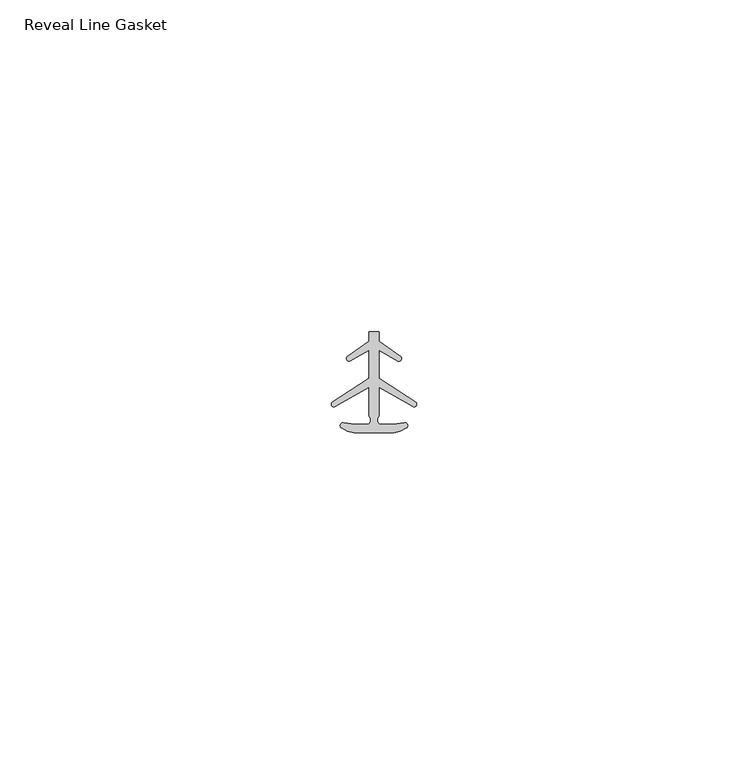
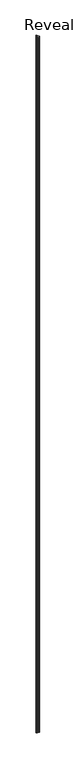
"""IFC4 building model written with IfcOpenShell, lengths in millimetres: furniture geometry, Reveal Line Gasket."""

from ifc_helpers import new_model, si_unit, point, frame_2d, origin, origin_with_axes, place, context, project, spatial, polyline, circle_curve, trimmed, segment, composite_curve, outline, extrude, source, transform, mapped, element, save


def reveal_line_gasket_088e70d2(model_context):
    return source(origin(), model_context, "Body", "SweptSolid", [
        extrude(outline(composite_curve([segment(polyline([(2.999107, -7.6326998), (-3.000893, -7.6326998), (-3.9563857, -7.4091917), (-4.8893614, -6.8813059)]), True, "CONTINUOUS"), segment(trimmed(circle_curve(frame_2d((-4.6873723, -6.5243141)), 0.4101739), [point((-4.8893614, -6.8813059))], [point((-4.5950277, -6.1246704))], False, "CARTESIAN"), True, "CONTINUOUS"), segment(polyline([(-4.5950277, -6.1246704), (-2.8988015, -6.3626997), (-0.8663457, -6.3626997)]), True, "CONTINUOUS"), segment(trimmed(circle_curve(frame_2d((-1.2828188, -5.6959605)), 0.786124), [point((-0.8663457, -6.3626997))], [point((-0.778768, -5.0926996))], True, "CARTESIAN"), True, "CONTINUOUS"), segment(polyline([(-0.778768, -5.0926996), (-0.778768, -0.7492996), (-5.9404224, -3.7293824)]), True, "CONTINUOUS"), segment(trimmed(circle_curve(frame_2d((-6.0058691, -3.3132479)), 0.4212495), [point((-5.9404224, -3.7293824))], [point((-6.3335288, -3.0485022))], False, "CARTESIAN"), True, "CONTINUOUS"), segment(polyline([(-6.3335288, -3.0485022), (-0.778768, 0.5742594), (-0.778768, 4.8262978), (-3.6544226, 3.1660374)]), True, "CONTINUOUS"), segment(trimmed(circle_curve(frame_2d((-3.7127785, 3.5978728)), 0.4357605), [point((-3.6544226, 3.1660374))], [point((-4.0575811, 3.864328))], False, "CARTESIAN"), True, "CONTINUOUS"), segment(polyline([(-4.0575811, 3.864328), (-0.778768, 6.1944059), (-0.778768, 7.6326998), (0.7769821, 7.6326998), (0.7769821, 6.1944059), (4.0557951, 3.864328)]), True, "CONTINUOUS"), segment(trimmed(circle_curve(frame_2d((3.7109925, 3.5978728)), 0.4357605), [point((4.0557951, 3.864328))], [point((3.6526367, 3.1660374))], False, "CARTESIAN"), True, "CONTINUOUS"), segment(polyline([(3.6526367, 3.1660374), (0.7769821, 4.8262978), (0.7769821, 0.5742594), (6.3317429, -3.0485022)]), True, "CONTINUOUS"), segment(trimmed(circle_curve(frame_2d((6.0040832, -3.3132479)), 0.4212495), [point((6.3317429, -3.0485022))], [point((5.9386365, -3.7293824))], False, "CARTESIAN"), True, "CONTINUOUS"), segment(polyline([(5.9386365, -3.7293824), (0.7769821, -0.7492996), (0.7769821, -5.0926996)]), True, "CONTINUOUS"), segment(trimmed(circle_curve(frame_2d((1.2810328, -5.6959605)), 0.786124), [point((0.7769821, -5.0926996))], [point((0.8645598, -6.3626997))], True, "CARTESIAN"), True, "CONTINUOUS"), segment(polyline([(0.8645598, -6.3626997), (2.8970156, -6.3626997), (4.5932418, -6.1246704)]), True, "CONTINUOUS"), segment(trimmed(circle_curve(frame_2d((4.6855864, -6.5243141)), 0.4101739), [point((4.5932418, -6.1246704))], [point((4.8875754, -6.8813059))], False, "CARTESIAN"), True, "CONTINUOUS"), segment(polyline([(4.8875754, -6.8813059), (3.9545998, -7.4091917), (2.999107, -7.6326998)]), True, "CONTINUOUS")], self_intersect=False)), origin_with_axes(), (0.0, 0.0, 1.0), 3048.0),
    ])


if __name__ == "__main__":
    model = new_model("IFC4")
    model_context = context("Model", 3, world=origin())
    ifc_project = project(units=[si_unit("LENGTHUNIT", "METRE", prefix="MILLI")], contexts=[model_context])
    site = spatial("IfcSite", under=ifc_project)
    building = spatial("IfcBuilding", under=site)
    placement = place(None, origin())
    reveal_line_gasket_shape = reveal_line_gasket_088e70d2(model_context)
    element("IfcFurniture", 1, ObjectType="Reveal Line Gasket", at=placement, inside=building, context=model_context, shape_type="MappedRepresentation", body=[
        mapped(reveal_line_gasket_shape, transform((0.0, 0.0, 0.0), x_axis=(1.0, 0.0, 0.0), y_axis=(0.0, 1.0, 0.0), z_axis=(0.0, 0.0, 1.0))),
    ])
    save(model, "model.ifc")
